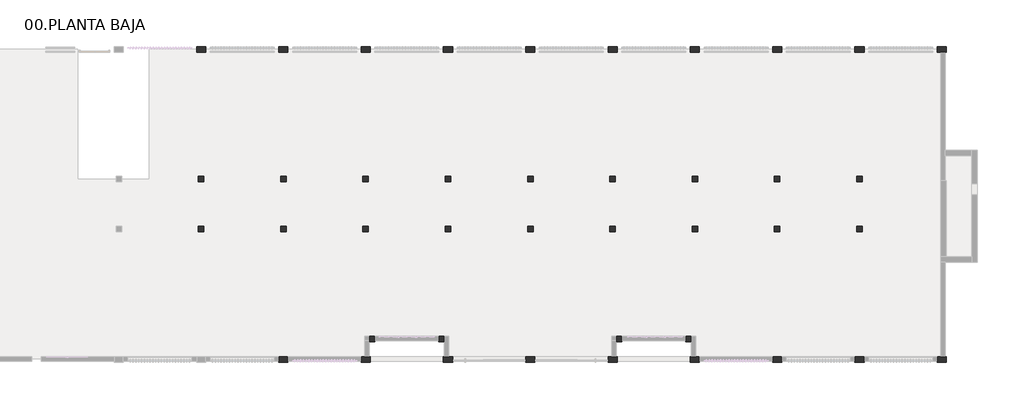
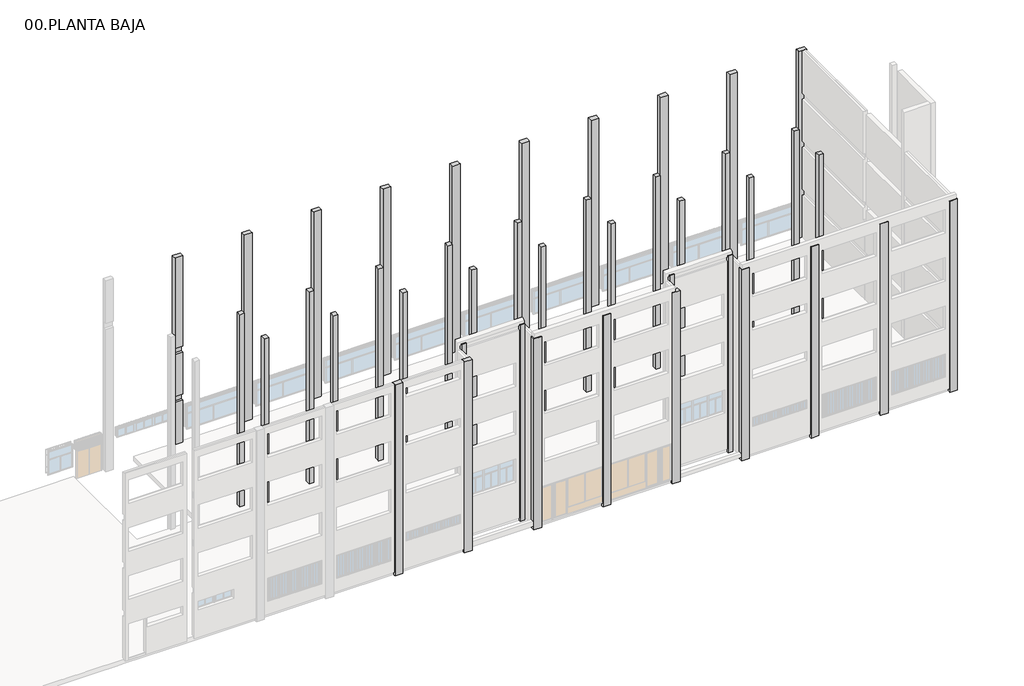
# One storey, part 4 of 4: 41 columns.
"""IFC4 building model written with IfcOpenShell, lengths in millimetres."""

from ifc_helpers import new_model, si_unit, frame, origin, place, context, project, spatial, polyline, outline, extrude, faceted_brep, element, save

model = new_model("IFC4")

# Units and contexts
model_context = context("Model", 3, world=origin())
ifc_project = project(units=[si_unit("LENGTHUNIT", "METRE", prefix="MILLI")], contexts=[model_context])

# Site, building, storey
site = spatial("IfcSite", under=ifc_project)
building = spatial("IfcBuilding", under=site)
storey = spatial("IfcBuildingStorey", under=building, Name="00.PLANTA BAJA", Elevation=0.0)

# Columns
placement = place(None, origin())
element("IfcColumn", 1, ObjectType="300 x 300 mm", at=placement, inside=storey, context=model_context, shape_type="Brep", body=[
    faceted_brep([(45029.3852488, 1391.1764706, 13200.0), (45029.3852488, 1141.1764706, 13200.0), (45029.3852488, 1091.1764706, 13200.0), (45329.3852488, 1091.1764706, 13200.0), (45329.3852488, 1141.1764706, 13200.0), (45329.3852488, 1391.1764706, 13200.0), (45029.3852488, 1391.1764706, -300.0), (45329.3852488, 1391.1764706, -300.0), (45329.3852488, 1241.1764706, -300.0), (45329.3852488, 1166.1764706, -300.0), (45329.3852488, 1091.1764706, -300.0), (45029.3852488, 1091.1764706, -300.0), (45029.3852488, 1166.1764706, -300.0), (45029.3852488, 1241.1764706, -300.0), (45029.3852488, 1391.1764706, 0.0)], [[[0, 1, 2, 3, 4, 5]], [[6, 7, 8, 9, 10, 11, 12, 13]], [[2, 1, 0, 14, 6, 13, 12, 11]], [[3, 2, 11, 10]], [[5, 4, 3, 10, 9, 8, 7]], [[0, 5, 7, 6, 14]]]),
])
element("IfcColumn", 2, ObjectType="300 x 300 mm", at=placement, inside=storey, context=model_context, shape_type="Brep", body=[
    faceted_brep([(41229.3852488, 1391.1764706, 13200.0), (41229.3852488, 1141.1764706, 13200.0), (41229.3852488, 1091.1764706, 13200.0), (41529.3852488, 1091.1764706, 13200.0), (41529.3852488, 1141.1764706, 13200.0), (41529.3852488, 1391.1764706, 13200.0), (41229.3852488, 1391.1764706, -300.0), (41529.3852488, 1391.1764706, -300.0), (41529.3852488, 1241.1764706, -300.0), (41529.3852488, 1166.1764706, -300.0), (41529.3852488, 1091.1764706, -300.0), (41229.3852488, 1091.1764706, -300.0), (41229.3852488, 1166.1764706, -300.0), (41229.3852488, 1241.1764706, -300.0), (41229.3852488, 1391.1764706, 0.0), (41529.3852488, 1391.1764706, 0.0)], [[[0, 1, 2, 3, 4, 5]], [[6, 7, 8, 9, 10, 11, 12, 13]], [[2, 1, 0, 14, 6, 13, 12, 11]], [[3, 2, 11, 10]], [[5, 4, 3, 10, 9, 8, 7, 15]], [[0, 5, 15, 7, 6, 14]]]),
])
element("IfcColumn", 3, ObjectType="300 x 300 mm", at=placement, inside=storey, context=model_context, shape_type="Brep", body=[
    faceted_brep([(58529.3852488, 1391.1764706, 13200.0), (58529.3852488, 1141.1764706, 13200.0), (58529.3852488, 1091.1764706, 13200.0), (58829.3852488, 1091.1764706, 13200.0), (58829.3852488, 1141.1764706, 13200.0), (58829.3852488, 1391.1764706, 13200.0), (58529.3852488, 1391.1764706, -300.0), (58829.3852488, 1391.1764706, -300.0), (58829.3852488, 1166.1764706, -300.0), (58829.3852488, 1091.1764706, -300.0), (58529.3852488, 1091.1764706, -300.0), (58529.3852488, 1166.1764706, -300.0), (58529.3852488, 1391.1764706, -85.0), (58829.3852488, 1391.1764706, -85.0)], [[[0, 1, 2, 3, 4, 5]], [[6, 7, 8, 9, 10, 11]], [[2, 1, 0, 12, 6, 11, 10]], [[3, 2, 10, 9]], [[5, 4, 3, 9, 8, 7, 13]], [[0, 5, 13, 7, 6, 12]]]),
])
element("IfcColumn", 4, ObjectType="300 x 300 mm", at=placement, inside=storey, context=model_context, shape_type="Brep", body=[
    faceted_brep([(54729.3852488, 1391.1764706, 13200.0), (54729.3852488, 1141.1764706, 13200.0), (54729.3852488, 1091.1764706, 13200.0), (55029.3852488, 1091.1764706, 13200.0), (55029.3852488, 1141.1764706, 13200.0), (55029.3852488, 1391.1764706, 13200.0), (54729.3852488, 1391.1764706, -300.0), (55029.3852488, 1391.1764706, -300.0), (55029.3852488, 1166.1764706, -300.0), (55029.3852488, 1091.1764706, -300.0), (54729.3852488, 1091.1764706, -300.0), (54729.3852488, 1166.1764706, -300.0), (54729.3852488, 1391.1764706, -85.0), (55029.3852488, 1391.1764706, -85.0)], [[[0, 1, 2, 3, 4, 5]], [[6, 7, 8, 9, 10, 11]], [[2, 1, 0, 12, 6, 11, 10]], [[3, 2, 10, 9]], [[5, 4, 3, 9, 8, 7, 13]], [[0, 5, 13, 7, 6, 12]]]),
])
element("IfcColumn", 5, ObjectType="300 x 300 mm", at=placement, inside=storey, context=model_context, shape_type="SweptSolid", body=[
    extrude(outline(polyline([(45379.3852488, 7415.5880966), (45679.3852488, 7415.5880966), (45679.3852488, 7115.5880966), (45379.3852488, 7115.5880966), (45379.3852488, 7415.5880966)])), frame((0.0, 0.0, -300.0), z_axis=(0.0, 0.0, 1.0), x_axis=(1.0, 0.0, 0.0)), (0.0, 0.0, 1.0), 13500.0),
])
element("IfcColumn", 6, ObjectType="300 x 300 mm", at=placement, inside=storey, context=model_context, shape_type="SweptSolid", body=[
    extrude(outline(polyline([(40879.3852488, 7415.5880966), (41179.3852488, 7415.5880966), (41179.3852488, 7115.5880966), (40879.3852488, 7115.5880966), (40879.3852488, 7415.5880966)])), frame((0.0, 0.0, -300.0), z_axis=(0.0, 0.0, 1.0), x_axis=(1.0, 0.0, 0.0)), (0.0, 0.0, 1.0), 13500.0),
])
element("IfcColumn", 7, ObjectType="300 x 300 mm", at=placement, inside=storey, context=model_context, shape_type="SweptSolid", body=[
    extrude(outline(polyline([(36379.3852488, 7415.5880966), (36679.3852488, 7415.5880966), (36679.3852488, 7115.5880966), (36379.3852488, 7115.5880966), (36379.3852488, 7415.5880966)])), frame((0.0, 0.0, -300.0), z_axis=(0.0, 0.0, 1.0), x_axis=(1.0, 0.0, 0.0)), (0.0, 0.0, 1.0), 13500.0),
])
element("IfcColumn", 8, ObjectType="300 x 300 mm", at=placement, inside=storey, context=model_context, shape_type="SweptSolid", body=[
    extrude(outline(polyline([(31879.3852488, 7415.5880966), (32179.3852488, 7415.5880966), (32179.3852488, 7115.5880966), (31879.3852488, 7115.5880966), (31879.3852488, 7415.5880966)])), frame((0.0, 0.0, -300.0), z_axis=(0.0, 0.0, 1.0), x_axis=(1.0, 0.0, 0.0)), (0.0, 0.0, 1.0), 13500.0),
])
element("IfcColumn", 9, ObjectType="300 x 300 mm", at=placement, inside=storey, context=model_context, shape_type="SweptSolid", body=[
    extrude(outline(polyline([(49879.3852488, 7415.5880966), (50179.3852488, 7415.5880966), (50179.3852488, 7115.5880966), (49879.3852488, 7115.5880966), (49879.3852488, 7415.5880966)])), frame((0.0, 0.0, -300.0), z_axis=(0.0, 0.0, 1.0), x_axis=(1.0, 0.0, 0.0)), (0.0, 0.0, 1.0), 13500.0),
])
element("IfcColumn", 10, ObjectType="300 x 300 mm", at=placement, inside=storey, context=model_context, shape_type="SweptSolid", body=[
    extrude(outline(polyline([(54379.3852488, 7415.5880966), (54679.3852488, 7415.5880966), (54679.3852488, 7115.5880966), (54379.3852488, 7115.5880966), (54379.3852488, 7415.5880966)])), frame((0.0, 0.0, -300.0), z_axis=(0.0, 0.0, 1.0), x_axis=(1.0, 0.0, 0.0)), (0.0, 0.0, 1.0), 13500.0),
])
element("IfcColumn", 11, ObjectType="300 x 300 mm", at=placement, inside=storey, context=model_context, shape_type="SweptSolid", body=[
    extrude(outline(polyline([(58879.3852488, 7415.5880966), (59179.3852488, 7415.5880966), (59179.3852488, 7115.5880966), (58879.3852488, 7115.5880966), (58879.3852488, 7415.5880966)])), frame((0.0, 0.0, -300.0), z_axis=(0.0, 0.0, 1.0), x_axis=(1.0, 0.0, 0.0)), (0.0, 0.0, 1.0), 13500.0),
])
element("IfcColumn", 12, ObjectType="300 x 300 mm", at=placement, inside=storey, context=model_context, shape_type="SweptSolid", body=[
    extrude(outline(polyline([(63379.3852488, 7415.5880966), (63679.3852488, 7415.5880966), (63679.3852488, 7115.5880966), (63379.3852488, 7115.5880966), (63379.3852488, 7415.5880966)])), frame((0.0, 0.0, -300.0), z_axis=(0.0, 0.0, 1.0), x_axis=(1.0, 0.0, 0.0)), (0.0, 0.0, 1.0), 13500.0),
])
element("IfcColumn", 13, ObjectType="300 x 300 mm", at=placement, inside=storey, context=model_context, shape_type="SweptSolid", body=[
    extrude(outline(polyline([(67879.3852488, 7415.5880966), (68179.3852488, 7415.5880966), (68179.3852488, 7115.5880966), (67879.3852488, 7115.5880966), (67879.3852488, 7415.5880966)])), frame((0.0, 0.0, -300.0), z_axis=(0.0, 0.0, 1.0), x_axis=(1.0, 0.0, 0.0)), (0.0, 0.0, 1.0), 13500.0),
])
element("IfcColumn", 14, ObjectType="300 x 300 mm", at=placement, inside=storey, context=model_context, shape_type="SweptSolid", body=[
    extrude(outline(polyline([(45379.3852488, 10135.7276275), (45679.3852488, 10135.7276275), (45679.3852488, 9835.7276275), (45379.3852488, 9835.7276275), (45379.3852488, 10135.7276275)])), frame((0.0, 0.0, -300.0), z_axis=(0.0, 0.0, 1.0), x_axis=(1.0, 0.0, 0.0)), (0.0, 0.0, 1.0), 13500.0),
])
element("IfcColumn", 15, ObjectType="300 x 300 mm", at=placement, inside=storey, context=model_context, shape_type="SweptSolid", body=[
    extrude(outline(polyline([(40879.3852488, 10135.7276275), (41179.3852488, 10135.7276275), (41179.3852488, 9835.7276275), (40879.3852488, 9835.7276275), (40879.3852488, 10135.7276275)])), frame((0.0, 0.0, -300.0), z_axis=(0.0, 0.0, 1.0), x_axis=(1.0, 0.0, 0.0)), (0.0, 0.0, 1.0), 13500.0),
])
element("IfcColumn", 16, ObjectType="300 x 300 mm", at=placement, inside=storey, context=model_context, shape_type="SweptSolid", body=[
    extrude(outline(polyline([(36379.3852488, 10135.7276275), (36679.3852488, 10135.7276275), (36679.3852488, 9835.7276275), (36379.3852488, 9835.7276275), (36379.3852488, 10135.7276275)])), frame((0.0, 0.0, -300.0), z_axis=(0.0, 0.0, 1.0), x_axis=(1.0, 0.0, 0.0)), (0.0, 0.0, 1.0), 13500.0),
])
element("IfcColumn", 17, ObjectType="300 x 300 mm", at=placement, inside=storey, context=model_context, shape_type="SweptSolid", body=[
    extrude(outline(polyline([(31879.3852488, 10135.7276275), (32179.3852488, 10135.7276275), (32179.3852488, 9835.7276275), (31879.3852488, 9835.7276275), (31879.3852488, 10135.7276275)])), frame((0.0, 0.0, -300.0), z_axis=(0.0, 0.0, 1.0), x_axis=(1.0, 0.0, 0.0)), (0.0, 0.0, 1.0), 13500.0),
])
element("IfcColumn", 18, ObjectType="300 x 300 mm", at=placement, inside=storey, context=model_context, shape_type="SweptSolid", body=[
    extrude(outline(polyline([(49879.3852488, 10135.7276275), (50179.3852488, 10135.7276275), (50179.3852488, 9835.7276275), (49879.3852488, 9835.7276275), (49879.3852488, 10135.7276275)])), frame((0.0, 0.0, -300.0), z_axis=(0.0, 0.0, 1.0), x_axis=(1.0, 0.0, 0.0)), (0.0, 0.0, 1.0), 13500.0),
])
element("IfcColumn", 19, ObjectType="300 x 300 mm", at=placement, inside=storey, context=model_context, shape_type="SweptSolid", body=[
    extrude(outline(polyline([(54379.3852488, 10135.7276275), (54679.3852488, 10135.7276275), (54679.3852488, 9835.7276275), (54379.3852488, 9835.7276275), (54379.3852488, 10135.7276275)])), frame((0.0, 0.0, -300.0), z_axis=(0.0, 0.0, 1.0), x_axis=(1.0, 0.0, 0.0)), (0.0, 0.0, 1.0), 13500.0),
])
element("IfcColumn", 20, ObjectType="300 x 300 mm", at=placement, inside=storey, context=model_context, shape_type="SweptSolid", body=[
    extrude(outline(polyline([(58879.3852488, 10135.7276275), (59179.3852488, 10135.7276275), (59179.3852488, 9835.7276275), (58879.3852488, 9835.7276275), (58879.3852488, 10135.7276275)])), frame((0.0, 0.0, -300.0), z_axis=(0.0, 0.0, 1.0), x_axis=(1.0, 0.0, 0.0)), (0.0, 0.0, 1.0), 13500.0),
])
element("IfcColumn", 21, ObjectType="300 x 300 mm", at=placement, inside=storey, context=model_context, shape_type="SweptSolid", body=[
    extrude(outline(polyline([(63379.3852488, 10135.7276275), (63679.3852488, 10135.7276275), (63679.3852488, 9835.7276275), (63379.3852488, 9835.7276275), (63379.3852488, 10135.7276275)])), frame((0.0, 0.0, -300.0), z_axis=(0.0, 0.0, 1.0), x_axis=(1.0, 0.0, 0.0)), (0.0, 0.0, 1.0), 13500.0),
])
element("IfcColumn", 22, ObjectType="300 x 300 mm", at=placement, inside=storey, context=model_context, shape_type="SweptSolid", body=[
    extrude(outline(polyline([(67879.3852488, 10135.7276275), (68179.3852488, 10135.7276275), (68179.3852488, 9835.7276275), (67879.3852488, 9835.7276275), (67879.3852488, 10135.7276275)])), frame((0.0, 0.0, -300.0), z_axis=(0.0, 0.0, 1.0), x_axis=(1.0, 0.0, 0.0)), (0.0, 0.0, 1.0), 13500.0),
])
element("IfcColumn", 23, ObjectType="50 x 30 cm", at=placement, inside=storey, context=model_context, shape_type="Brep", body=[
    faceted_brep([(36279.3852488, 291.1764706, 12815.0), (36279.3852488, 141.1764706, 12815.0), (36279.3852488, 41.1764706, 12815.0), (36279.3852488, -8.8235294, 12815.0), (36779.3852488, -8.8235294, 12815.0), (36779.3852488, 41.1764706, 12815.0), (36779.3852488, 141.1764706, 12815.0), (36779.3852488, 291.1764706, 12815.0), (36279.3852488, 291.1764706, -300.0), (36779.3852488, 291.1764706, -300.0), (36779.3852488, 166.1764706, -300.0), (36779.3852488, 66.1764706, -300.0), (36779.3852488, -8.8235294, -300.0), (36279.3852488, -8.8235294, -300.0), (36279.3852488, 66.1764706, -300.0), (36279.3852488, 166.1764706, -300.0), (36279.3852488, 291.1764706, 12800.0), (36279.3852488, 291.1764706, 9900.0), (36279.3852488, 291.1764706, 9500.0), (36279.3852488, 291.1764706, 6600.0), (36279.3852488, 291.1764706, 6200.0), (36279.3852488, 291.1764706, 3300.0), (36279.3852488, 291.1764706, 2900.0), (36279.3852488, 291.1764706, -85.0), (36779.3852488, 291.1764706, -85.0), (36779.3852488, 291.1764706, 2900.0), (36779.3852488, 291.1764706, 3300.0), (36779.3852488, 291.1764706, 6200.0), (36779.3852488, 291.1764706, 6600.0), (36779.3852488, 291.1764706, 9500.0), (36779.3852488, 291.1764706, 9900.0), (36779.3852488, 291.1764706, 12800.0)], [[[0, 1, 2, 3, 4, 5, 6, 7]], [[8, 9, 10, 11, 12, 13, 14, 15]], [[3, 2, 1, 0, 16, 17, 18, 19, 20, 21, 22, 23, 8, 15, 14, 13]], [[4, 3, 13, 12]], [[7, 6, 5, 4, 12, 11, 10, 9, 24, 25, 26, 27, 28, 29, 30, 31]], [[0, 7, 31, 30, 29, 28, 27, 26, 25, 24, 9, 8, 23, 22, 21, 20, 19, 18, 17, 16]]]),
])
element("IfcColumn", 24, ObjectType="50 x 30 cm", at=placement, inside=storey, context=model_context, shape_type="Brep", body=[
    faceted_brep([(40779.3852488, 291.1764706, 12815.0), (40779.3852488, 141.1764706, 12815.0), (40779.3852488, 41.1764706, 12815.0), (40779.3852488, -8.8235294, 12815.0), (41279.3852488, -8.8235294, 12815.0), (41279.3852488, 291.1764706, 12815.0), (41229.3852488, 291.1764706, 12815.0), (41104.3852488, 291.1764706, 12815.0), (40979.3852488, 291.1764706, 12815.0), (40779.3852488, 291.1764706, -300.0), (41279.3852488, 291.1764706, -300.0), (41279.3852488, 66.1764706, -300.0), (41279.3852488, -8.8235294, -300.0), (40779.3852488, -8.8235294, -300.0), (40779.3852488, 66.1764706, -300.0), (40779.3852488, 166.1764706, -300.0), (40779.3852488, 291.1764706, 12800.0), (40779.3852488, 291.1764706, 9900.0), (40779.3852488, 291.1764706, 9500.0), (40779.3852488, 291.1764706, 6600.0), (40779.3852488, 291.1764706, 6200.0), (40779.3852488, 291.1764706, 3300.0), (40779.3852488, 291.1764706, 2900.0), (40779.3852488, 291.1764706, -85.0), (41279.3852488, 291.1764706, -85.0)], [[[0, 1, 2, 3, 4, 5, 6, 7, 8]], [[9, 10, 11, 12, 13, 14, 15]], [[3, 2, 1, 0, 16, 17, 18, 19, 20, 21, 22, 23, 9, 15, 14, 13]], [[4, 3, 13, 12]], [[5, 4, 12, 11, 10, 24]], [[0, 8, 7, 6, 5, 24, 10, 9, 23, 22, 21, 20, 19, 18, 17, 16]]]),
])
element("IfcColumn", 25, ObjectType="50 x 30 cm", at=placement, inside=storey, context=model_context, shape_type="Brep", body=[
    faceted_brep([(63279.3852488, 291.1764706, 12815.0), (63279.3852488, 41.1764706, 12815.0), (63279.3852488, -8.8235294, 12815.0), (63779.3852488, -8.8235294, 12815.0), (63779.3852488, 41.1764706, 12815.0), (63779.3852488, 291.1764706, 12815.0), (63279.3852488, 291.1764706, -300.0), (63779.3852488, 291.1764706, -300.0), (63779.3852488, 66.1764706, -300.0), (63779.3852488, -8.8235294, -300.0), (63279.3852488, -8.8235294, -300.0), (63279.3852488, 66.1764706, -300.0), (63279.3852488, 291.1764706, -85.0), (63779.3852488, 291.1764706, -85.0)], [[[0, 1, 2, 3, 4, 5]], [[6, 7, 8, 9, 10, 11]], [[2, 1, 0, 12, 6, 11, 10]], [[3, 2, 10, 9]], [[5, 4, 3, 9, 8, 7, 13]], [[0, 5, 13, 7, 6, 12]]]),
])
element("IfcColumn", 26, ObjectType="50 x 30 cm", at=placement, inside=storey, context=model_context, shape_type="Brep", body=[
    faceted_brep([(67779.3852488, 291.1764706, 12815.0), (67779.3852488, 41.1764706, 12815.0), (67779.3852488, -8.8235294, 12815.0), (68279.3852488, -8.8235294, 12815.0), (68279.3852488, 41.1764706, 12815.0), (68279.3852488, 291.1764706, 12815.0), (67779.3852488, 291.1764706, -300.0), (68279.3852488, 291.1764706, -300.0), (68279.3852488, 66.1764706, -300.0), (68279.3852488, -8.8235294, -300.0), (67779.3852488, -8.8235294, -300.0), (67779.3852488, 66.1764706, -300.0), (67779.3852488, 291.1764706, -85.0), (68279.3852488, 291.1764706, -85.0)], [[[0, 1, 2, 3, 4, 5]], [[6, 7, 8, 9, 10, 11]], [[2, 1, 0, 12, 6, 11, 10]], [[3, 2, 10, 9]], [[5, 4, 3, 9, 8, 7, 13]], [[0, 5, 13, 7, 6, 12]]]),
])
element("IfcColumn", 27, ObjectType="50 x 30 cm", at=placement, inside=storey, context=model_context, shape_type="Brep", body=[
    faceted_brep([(49779.3852488, 291.1764706, 12815.0), (49779.3852488, 41.1764706, 12815.0), (49779.3852488, -8.8235294, 12815.0), (50279.3852488, -8.8235294, 12815.0), (50279.3852488, 41.1764706, 12815.0), (50279.3852488, 291.1764706, 12815.0), (49779.3852488, 291.1764706, -300.0), (50279.3852488, 291.1764706, -300.0), (50279.3852488, 66.1764706, -300.0), (50279.3852488, -8.8235294, -300.0), (49779.3852488, -8.8235294, -300.0), (49779.3852488, 66.1764706, -300.0), (49779.3852488, 291.1764706, 2450.0), (49779.3852488, 291.1764706, 0.0), (49779.3852488, 291.1764706, -85.0), (50279.3852488, 291.1764706, -85.0), (50279.3852488, 291.1764706, 0.0), (50279.3852488, 291.1764706, 2450.0)], [[[0, 1, 2, 3, 4, 5]], [[6, 7, 8, 9, 10, 11]], [[2, 1, 0, 12, 13, 14, 6, 11, 10]], [[3, 2, 10, 9]], [[5, 4, 3, 9, 8, 7, 15, 16, 17]], [[0, 5, 17, 16, 15, 7, 6, 14, 13, 12]]]),
])
element("IfcColumn", 28, ObjectType="50 x 30 cm", at=placement, inside=storey, context=model_context, shape_type="Brep", body=[
    faceted_brep([(54279.3852488, 291.1764706, 12815.0), (54279.3852488, 41.1764706, 12815.0), (54279.3852488, -8.8235294, 12815.0), (54779.3852488, -8.8235294, 12815.0), (54779.3852488, 291.1764706, 12815.0), (54729.3852488, 291.1764706, 12815.0), (54604.3852488, 291.1764706, 12815.0), (54479.3852488, 291.1764706, 12815.0), (54279.3852488, 291.1764706, -300.0), (54779.3852488, 291.1764706, -300.0), (54779.3852488, 66.1764706, -300.0), (54779.3852488, -8.8235294, -300.0), (54279.3852488, -8.8235294, -300.0), (54279.3852488, 66.1764706, -300.0), (54279.3852488, 291.1764706, 2450.0), (54279.3852488, 291.1764706, 0.0), (54279.3852488, 291.1764706, -85.0), (54779.3852488, 291.1764706, -85.0)], [[[0, 1, 2, 3, 4, 5, 6, 7]], [[8, 9, 10, 11, 12, 13]], [[2, 1, 0, 14, 15, 16, 8, 13, 12]], [[3, 2, 12, 11]], [[4, 3, 11, 10, 9, 17]], [[0, 7, 6, 5, 4, 17, 9, 8, 16, 15, 14]]]),
])
element("IfcColumn", 29, ObjectType="50 x 30 cm", at=placement, inside=storey, context=model_context, shape_type="Brep", body=[
    faceted_brep([(31779.3852488, 17241.1764706, 12815.0), (31779.3852488, 17191.1764706, 12815.0), (31779.3852488, 17091.1764706, 12815.0), (31779.3852488, 16941.1764706, 12815.0), (32279.3852488, 16941.1764706, 12815.0), (32279.3852488, 17091.1764706, 12815.0), (32279.3852488, 17191.1764706, 12815.0), (32279.3852488, 17241.1764706, 12815.0), (31779.3852488, 17241.1764706, -300.0), (32279.3852488, 17241.1764706, -300.0), (32279.3852488, 17166.1764706, -300.0), (32279.3852488, 17091.1764706, -300.0), (32279.3852488, 16941.1764706, -300.0), (31779.3852488, 16941.1764706, -300.0), (31779.3852488, 17091.1764706, -300.0), (31779.3852488, 17166.1764706, -300.0), (31779.3852488, 16941.1764706, 0.0), (31779.3852488, 16941.1764706, 2900.0), (31779.3852488, 17091.1764706, 2900.0), (31779.3852488, 17091.1764706, 3300.0), (31779.3852488, 16941.1764706, 3300.0), (31779.3852488, 16941.1764706, 6200.0), (31779.3852488, 17091.1764706, 6200.0), (31779.3852488, 17091.1764706, 6600.0), (31779.3852488, 16941.1764706, 6600.0), (31779.3852488, 16941.1764706, 9500.0), (31779.3852488, 16941.1764706, 9900.0), (31779.3852488, 16941.1764706, 12800.0), (32279.3852488, 16941.1764706, 6600.0), (32279.3852488, 16941.1764706, 9500.0), (32279.3852488, 16941.1764706, 9900.0), (32279.3852488, 16941.1764706, 12800.0), (32279.3852488, 17091.1764706, 6600.0), (32279.3852488, 17091.1764706, 6200.0), (32279.3852488, 16941.1764706, 6200.0), (32279.3852488, 16941.1764706, 3300.0), (32279.3852488, 17091.1764706, 3300.0), (32279.3852488, 17091.1764706, 2900.0), (32279.3852488, 16941.1764706, 2900.0), (32279.3852488, 16941.1764706, 0.0)], [[[0, 1, 2, 3, 4, 5, 6, 7]], [[8, 9, 10, 11, 12, 13, 14, 15]], [[3, 2, 1, 0, 8, 15, 14, 13, 16, 17, 18, 19, 20, 21, 22, 23, 24, 25, 26, 27]], [[4, 3, 27, 26, 25, 24, 28, 29, 30, 31]], [[7, 6, 5, 4, 31, 30, 29, 28, 32, 33, 34, 35, 36, 37, 38, 39, 12, 11, 10, 9]], [[0, 7, 9, 8]], [[37, 18, 17, 38]], [[19, 36, 35, 20]], [[18, 37, 36, 19]], [[13, 12, 39, 38, 17, 16]], [[33, 22, 21, 34]], [[23, 32, 28, 24]], [[22, 33, 32, 23]], [[20, 35, 34, 21]]]),
])
element("IfcColumn", 30, ObjectType="50 x 30 cm", at=placement, inside=storey, context=model_context, shape_type="Brep", body=[
    faceted_brep([(36279.3852488, 17241.1764706, 12815.0), (36279.3852488, 17191.1764706, 12815.0), (36279.3852488, 17091.1764706, 12815.0), (36279.3852488, 16941.1764706, 12815.0), (36779.3852488, 16941.1764706, 12815.0), (36779.3852488, 17091.1764706, 12815.0), (36779.3852488, 17191.1764706, 12815.0), (36779.3852488, 17241.1764706, 12815.0), (36279.3852488, 17241.1764706, -300.0), (36779.3852488, 17241.1764706, -300.0), (36779.3852488, 17166.1764706, -300.0), (36779.3852488, 17091.1764706, -300.0), (36779.3852488, 16941.1764706, -300.0), (36279.3852488, 16941.1764706, -300.0), (36279.3852488, 17091.1764706, -300.0), (36279.3852488, 17166.1764706, -300.0), (36279.3852488, 16941.1764706, 0.0), (36279.3852488, 16941.1764706, 2900.0), (36279.3852488, 16941.1764706, 3300.0), (36279.3852488, 16941.1764706, 6200.0), (36279.3852488, 16941.1764706, 6600.0), (36279.3852488, 16941.1764706, 9500.0), (36279.3852488, 16941.1764706, 9900.0), (36279.3852488, 16941.1764706, 12800.0), (36779.3852488, 16941.1764706, 0.0), (36779.3852488, 16941.1764706, 2900.0), (36779.3852488, 16941.1764706, 3300.0), (36779.3852488, 16941.1764706, 6200.0), (36779.3852488, 16941.1764706, 6600.0), (36779.3852488, 16941.1764706, 9500.0), (36779.3852488, 16941.1764706, 9900.0), (36779.3852488, 16941.1764706, 12800.0)], [[[0, 1, 2, 3, 4, 5, 6, 7]], [[8, 9, 10, 11, 12, 13, 14, 15]], [[3, 2, 1, 0, 8, 15, 14, 13, 16, 17, 18, 19, 20, 21, 22, 23]], [[4, 3, 23, 22, 21, 20, 19, 18, 17, 16, 13, 12, 24, 25, 26, 27, 28, 29, 30, 31]], [[7, 6, 5, 4, 31, 30, 29, 28, 27, 26, 25, 24, 12, 11, 10, 9]], [[0, 7, 9, 8]]]),
])
element("IfcColumn", 31, ObjectType="50 x 30 cm", at=placement, inside=storey, context=model_context, shape_type="Brep", body=[
    faceted_brep([(40779.3852488, 17241.1764706, 12815.0), (40779.3852488, 17191.1764706, 12815.0), (40779.3852488, 17091.1764706, 12815.0), (40779.3852488, 16941.1764706, 12815.0), (41279.3852488, 16941.1764706, 12815.0), (41279.3852488, 17091.1764706, 12815.0), (41279.3852488, 17191.1764706, 12815.0), (41279.3852488, 17241.1764706, 12815.0), (40779.3852488, 17241.1764706, -300.0), (41279.3852488, 17241.1764706, -300.0), (41279.3852488, 17166.1764706, -300.0), (41279.3852488, 17091.1764706, -300.0), (41279.3852488, 16941.1764706, -300.0), (40779.3852488, 16941.1764706, -300.0), (40779.3852488, 17091.1764706, -300.0), (40779.3852488, 17166.1764706, -300.0), (40779.3852488, 16941.1764706, 0.0), (40779.3852488, 16941.1764706, 2900.0), (40779.3852488, 16941.1764706, 3300.0), (40779.3852488, 16941.1764706, 6200.0), (40779.3852488, 16941.1764706, 6600.0), (40779.3852488, 16941.1764706, 9500.0), (40779.3852488, 16941.1764706, 9900.0), (40779.3852488, 16941.1764706, 12800.0), (41279.3852488, 16941.1764706, 0.0), (41279.3852488, 16941.1764706, 2900.0), (41279.3852488, 16941.1764706, 3300.0), (41279.3852488, 16941.1764706, 6200.0), (41279.3852488, 16941.1764706, 6600.0), (41279.3852488, 16941.1764706, 9500.0), (41279.3852488, 16941.1764706, 9900.0), (41279.3852488, 16941.1764706, 12800.0)], [[[0, 1, 2, 3, 4, 5, 6, 7]], [[8, 9, 10, 11, 12, 13, 14, 15]], [[3, 2, 1, 0, 8, 15, 14, 13, 16, 17, 18, 19, 20, 21, 22, 23]], [[4, 3, 23, 22, 21, 20, 19, 18, 17, 16, 13, 12, 24, 25, 26, 27, 28, 29, 30, 31]], [[7, 6, 5, 4, 31, 30, 29, 28, 27, 26, 25, 24, 12, 11, 10, 9]], [[0, 7, 9, 8]]]),
])
element("IfcColumn", 32, ObjectType="50 x 30 cm", at=placement, inside=storey, context=model_context, shape_type="Brep", body=[
    faceted_brep([(45279.3852488, 17241.1764706, 12815.0), (45279.3852488, 17191.1764706, 12815.0), (45279.3852488, 17091.1764706, 12815.0), (45279.3852488, 16941.1764706, 12815.0), (45779.3852488, 16941.1764706, 12815.0), (45779.3852488, 17091.1764706, 12815.0), (45779.3852488, 17191.1764706, 12815.0), (45779.3852488, 17241.1764706, 12815.0), (45279.3852488, 17241.1764706, -300.0), (45779.3852488, 17241.1764706, -300.0), (45779.3852488, 17166.1764706, -300.0), (45779.3852488, 17091.1764706, -300.0), (45779.3852488, 16941.1764706, -300.0), (45279.3852488, 16941.1764706, -300.0), (45279.3852488, 17091.1764706, -300.0), (45279.3852488, 17166.1764706, -300.0), (45279.3852488, 16941.1764706, 0.0), (45279.3852488, 16941.1764706, 2900.0), (45279.3852488, 16941.1764706, 3300.0), (45279.3852488, 16941.1764706, 6200.0), (45279.3852488, 16941.1764706, 6600.0), (45279.3852488, 16941.1764706, 9500.0), (45279.3852488, 16941.1764706, 9900.0), (45279.3852488, 16941.1764706, 12800.0), (45779.3852488, 16941.1764706, 0.0), (45779.3852488, 16941.1764706, 2900.0), (45779.3852488, 16941.1764706, 3300.0), (45779.3852488, 16941.1764706, 6200.0), (45779.3852488, 16941.1764706, 6600.0), (45779.3852488, 16941.1764706, 9500.0), (45779.3852488, 16941.1764706, 9900.0), (45779.3852488, 16941.1764706, 12800.0)], [[[0, 1, 2, 3, 4, 5, 6, 7]], [[8, 9, 10, 11, 12, 13, 14, 15]], [[3, 2, 1, 0, 8, 15, 14, 13, 16, 17, 18, 19, 20, 21, 22, 23]], [[4, 3, 23, 22, 21, 20, 19, 18, 17, 16, 13, 12, 24, 25, 26, 27, 28, 29, 30, 31]], [[7, 6, 5, 4, 31, 30, 29, 28, 27, 26, 25, 24, 12, 11, 10, 9]], [[0, 7, 9, 8]]]),
])
element("IfcColumn", 33, ObjectType="50 x 30 cm", at=placement, inside=storey, context=model_context, shape_type="Brep", body=[
    faceted_brep([(49779.3852488, 17241.1764706, 12815.0), (49779.3852488, 17191.1764706, 12815.0), (49779.3852488, 17091.1764706, 12815.0), (49779.3852488, 16941.1764706, 12815.0), (50279.3852488, 16941.1764706, 12815.0), (50279.3852488, 17091.1764706, 12815.0), (50279.3852488, 17191.1764706, 12815.0), (50279.3852488, 17241.1764706, 12815.0), (49779.3852488, 17241.1764706, -300.0), (50279.3852488, 17241.1764706, -300.0), (50279.3852488, 17166.1764706, -300.0), (50279.3852488, 17091.1764706, -300.0), (50279.3852488, 16941.1764706, -300.0), (49779.3852488, 16941.1764706, -300.0), (49779.3852488, 17091.1764706, -300.0), (49779.3852488, 17166.1764706, -300.0), (49779.3852488, 16941.1764706, 0.0), (49779.3852488, 16941.1764706, 2900.0), (49779.3852488, 16941.1764706, 3300.0), (49779.3852488, 16941.1764706, 6200.0), (49779.3852488, 16941.1764706, 6600.0), (49779.3852488, 16941.1764706, 9500.0), (49779.3852488, 16941.1764706, 9900.0), (49779.3852488, 16941.1764706, 12800.0), (50279.3852488, 16941.1764706, 0.0), (50279.3852488, 16941.1764706, 2900.0), (50279.3852488, 16941.1764706, 3300.0), (50279.3852488, 16941.1764706, 6200.0), (50279.3852488, 16941.1764706, 6600.0), (50279.3852488, 16941.1764706, 9500.0), (50279.3852488, 16941.1764706, 9900.0), (50279.3852488, 16941.1764706, 12800.0)], [[[0, 1, 2, 3, 4, 5, 6, 7]], [[8, 9, 10, 11, 12, 13, 14, 15]], [[3, 2, 1, 0, 8, 15, 14, 13, 16, 17, 18, 19, 20, 21, 22, 23]], [[4, 3, 23, 22, 21, 20, 19, 18, 17, 16, 13, 12, 24, 25, 26, 27, 28, 29, 30, 31]], [[7, 6, 5, 4, 31, 30, 29, 28, 27, 26, 25, 24, 12, 11, 10, 9]], [[0, 7, 9, 8]]]),
])
element("IfcColumn", 34, ObjectType="50 x 30 cm", at=placement, inside=storey, context=model_context, shape_type="Brep", body=[
    faceted_brep([(54279.3852488, 17241.1764706, 12815.0), (54279.3852488, 17191.1764706, 12815.0), (54279.3852488, 17091.1764706, 12815.0), (54279.3852488, 16941.1764706, 12815.0), (54779.3852488, 16941.1764706, 12815.0), (54779.3852488, 17091.1764706, 12815.0), (54779.3852488, 17191.1764706, 12815.0), (54779.3852488, 17241.1764706, 12815.0), (54279.3852488, 17241.1764706, -300.0), (54779.3852488, 17241.1764706, -300.0), (54779.3852488, 17166.1764706, -300.0), (54779.3852488, 17091.1764706, -300.0), (54779.3852488, 16941.1764706, -300.0), (54279.3852488, 16941.1764706, -300.0), (54279.3852488, 17091.1764706, -300.0), (54279.3852488, 17166.1764706, -300.0), (54279.3852488, 16941.1764706, 0.0), (54279.3852488, 16941.1764706, 2900.0), (54279.3852488, 16941.1764706, 3300.0), (54279.3852488, 16941.1764706, 6200.0), (54279.3852488, 16941.1764706, 6600.0), (54279.3852488, 16941.1764706, 9500.0), (54279.3852488, 16941.1764706, 9900.0), (54279.3852488, 16941.1764706, 12800.0), (54779.3852488, 16941.1764706, 0.0), (54779.3852488, 16941.1764706, 2900.0), (54779.3852488, 16941.1764706, 3300.0), (54779.3852488, 16941.1764706, 6200.0), (54779.3852488, 16941.1764706, 6600.0), (54779.3852488, 16941.1764706, 9500.0), (54779.3852488, 16941.1764706, 9900.0), (54779.3852488, 16941.1764706, 12800.0)], [[[0, 1, 2, 3, 4, 5, 6, 7]], [[8, 9, 10, 11, 12, 13, 14, 15]], [[3, 2, 1, 0, 8, 15, 14, 13, 16, 17, 18, 19, 20, 21, 22, 23]], [[4, 3, 23, 22, 21, 20, 19, 18, 17, 16, 13, 12, 24, 25, 26, 27, 28, 29, 30, 31]], [[7, 6, 5, 4, 31, 30, 29, 28, 27, 26, 25, 24, 12, 11, 10, 9]], [[0, 7, 9, 8]]]),
])
element("IfcColumn", 35, ObjectType="50 x 30 cm", at=placement, inside=storey, context=model_context, shape_type="Brep", body=[
    faceted_brep([(58779.3852488, 17241.1764706, 12815.0), (58779.3852488, 17191.1764706, 12815.0), (58779.3852488, 17091.1764706, 12815.0), (58779.3852488, 16941.1764706, 12815.0), (59279.3852488, 16941.1764706, 12815.0), (59279.3852488, 17091.1764706, 12815.0), (59279.3852488, 17191.1764706, 12815.0), (59279.3852488, 17241.1764706, 12815.0), (58779.3852488, 17241.1764706, -300.0), (59279.3852488, 17241.1764706, -300.0), (59279.3852488, 17166.1764706, -300.0), (59279.3852488, 17091.1764706, -300.0), (59279.3852488, 16941.1764706, -300.0), (58779.3852488, 16941.1764706, -300.0), (58779.3852488, 17091.1764706, -300.0), (58779.3852488, 17166.1764706, -300.0), (58779.3852488, 16941.1764706, 0.0), (58779.3852488, 16941.1764706, 2900.0), (58779.3852488, 16941.1764706, 3300.0), (58779.3852488, 16941.1764706, 6200.0), (58779.3852488, 16941.1764706, 6600.0), (58779.3852488, 16941.1764706, 9500.0), (58779.3852488, 16941.1764706, 9900.0), (58779.3852488, 16941.1764706, 12800.0), (59279.3852488, 16941.1764706, 0.0), (59279.3852488, 16941.1764706, 2900.0), (59279.3852488, 16941.1764706, 3300.0), (59279.3852488, 16941.1764706, 6200.0), (59279.3852488, 16941.1764706, 6600.0), (59279.3852488, 16941.1764706, 9500.0), (59279.3852488, 16941.1764706, 9900.0), (59279.3852488, 16941.1764706, 12800.0)], [[[0, 1, 2, 3, 4, 5, 6, 7]], [[8, 9, 10, 11, 12, 13, 14, 15]], [[3, 2, 1, 0, 8, 15, 14, 13, 16, 17, 18, 19, 20, 21, 22, 23]], [[4, 3, 23, 22, 21, 20, 19, 18, 17, 16, 13, 12, 24, 25, 26, 27, 28, 29, 30, 31]], [[7, 6, 5, 4, 31, 30, 29, 28, 27, 26, 25, 24, 12, 11, 10, 9]], [[0, 7, 9, 8]]]),
])
element("IfcColumn", 36, ObjectType="50 x 30 cm", at=placement, inside=storey, context=model_context, shape_type="Brep", body=[
    faceted_brep([(63279.3852488, 17241.1764706, 12815.0), (63279.3852488, 17191.1764706, 12815.0), (63279.3852488, 17091.1764706, 12815.0), (63279.3852488, 16941.1764706, 12815.0), (63779.3852488, 16941.1764706, 12815.0), (63779.3852488, 17091.1764706, 12815.0), (63779.3852488, 17191.1764706, 12815.0), (63779.3852488, 17241.1764706, 12815.0), (63279.3852488, 17241.1764706, -300.0), (63779.3852488, 17241.1764706, -300.0), (63779.3852488, 17166.1764706, -300.0), (63779.3852488, 17091.1764706, -300.0), (63779.3852488, 16941.1764706, -300.0), (63279.3852488, 16941.1764706, -300.0), (63279.3852488, 17091.1764706, -300.0), (63279.3852488, 17166.1764706, -300.0), (63279.3852488, 16941.1764706, 0.0), (63279.3852488, 16941.1764706, 2900.0), (63279.3852488, 16941.1764706, 3300.0), (63279.3852488, 16941.1764706, 6200.0), (63279.3852488, 16941.1764706, 6600.0), (63279.3852488, 16941.1764706, 9500.0), (63279.3852488, 16941.1764706, 9900.0), (63279.3852488, 16941.1764706, 12800.0), (63779.3852488, 16941.1764706, 0.0), (63779.3852488, 16941.1764706, 2900.0), (63779.3852488, 16941.1764706, 3300.0), (63779.3852488, 16941.1764706, 6200.0), (63779.3852488, 16941.1764706, 6600.0), (63779.3852488, 16941.1764706, 9500.0), (63779.3852488, 16941.1764706, 9900.0), (63779.3852488, 16941.1764706, 12800.0)], [[[0, 1, 2, 3, 4, 5, 6, 7]], [[8, 9, 10, 11, 12, 13, 14, 15]], [[3, 2, 1, 0, 8, 15, 14, 13, 16, 17, 18, 19, 20, 21, 22, 23]], [[4, 3, 23, 22, 21, 20, 19, 18, 17, 16, 13, 12, 24, 25, 26, 27, 28, 29, 30, 31]], [[7, 6, 5, 4, 31, 30, 29, 28, 27, 26, 25, 24, 12, 11, 10, 9]], [[0, 7, 9, 8]]]),
])
element("IfcColumn", 37, ObjectType="50 x 30 cm", at=placement, inside=storey, context=model_context, shape_type="Brep", body=[
    faceted_brep([(67779.3852488, 17241.1764706, 12815.0), (67779.3852488, 17191.1764706, 12815.0), (67779.3852488, 17091.1764706, 12815.0), (67779.3852488, 16941.1764706, 12815.0), (68279.3852488, 16941.1764706, 12815.0), (68279.3852488, 17091.1764706, 12815.0), (68279.3852488, 17191.1764706, 12815.0), (68279.3852488, 17241.1764706, 12815.0), (67779.3852488, 17241.1764706, -300.0), (68279.3852488, 17241.1764706, -300.0), (68279.3852488, 17166.1764706, -300.0), (68279.3852488, 17091.1764706, -300.0), (68279.3852488, 16941.1764706, -300.0), (67779.3852488, 16941.1764706, -300.0), (67779.3852488, 17091.1764706, -300.0), (67779.3852488, 17166.1764706, -300.0), (67779.3852488, 16941.1764706, 0.0), (67779.3852488, 16941.1764706, 2900.0), (67779.3852488, 16941.1764706, 3300.0), (67779.3852488, 16941.1764706, 6200.0), (67779.3852488, 16941.1764706, 6600.0), (67779.3852488, 16941.1764706, 9500.0), (67779.3852488, 16941.1764706, 9900.0), (67779.3852488, 16941.1764706, 12800.0), (68279.3852488, 16941.1764706, 0.0), (68279.3852488, 16941.1764706, 2900.0), (68279.3852488, 16941.1764706, 3300.0), (68279.3852488, 16941.1764706, 6200.0), (68279.3852488, 16941.1764706, 6600.0), (68279.3852488, 16941.1764706, 9500.0), (68279.3852488, 16941.1764706, 9900.0), (68279.3852488, 16941.1764706, 12800.0)], [[[0, 1, 2, 3, 4, 5, 6, 7]], [[8, 9, 10, 11, 12, 13, 14, 15]], [[3, 2, 1, 0, 8, 15, 14, 13, 16, 17, 18, 19, 20, 21, 22, 23]], [[4, 3, 23, 22, 21, 20, 19, 18, 17, 16, 13, 12, 24, 25, 26, 27, 28, 29, 30, 31]], [[7, 6, 5, 4, 31, 30, 29, 28, 27, 26, 25, 24, 12, 11, 10, 9]], [[0, 7, 9, 8]]]),
])
element("IfcColumn", 38, ObjectType="50 x 30 cm", at=placement, inside=storey, context=model_context, shape_type="Brep", body=[
    faceted_brep([(45279.3852488, 291.1764706, 12815.0), (45279.3852488, -8.8235294, 12815.0), (45779.3852488, -8.8235294, 12815.0), (45779.3852488, 41.1764706, 12815.0), (45779.3852488, 291.1764706, 12815.0), (45329.3852488, 291.1764706, 12815.0), (45279.3852488, 291.1764706, -300.0), (45779.3852488, 291.1764706, -300.0), (45779.3852488, 66.1764706, -300.0), (45779.3852488, -8.8235294, -300.0), (45279.3852488, -8.8235294, -300.0), (45279.3852488, 66.1764706, -300.0), (45279.3852488, 291.1764706, -85.0), (45779.3852488, 291.1764706, -85.0), (45779.3852488, 291.1764706, 0.0), (45779.3852488, 291.1764706, 2450.0)], [[[0, 1, 2, 3, 4, 5]], [[6, 7, 8, 9, 10, 11]], [[1, 0, 12, 6, 11, 10]], [[2, 1, 10, 9]], [[4, 3, 2, 9, 8, 7, 13, 14, 15]], [[0, 5, 4, 15, 14, 13, 7, 6, 12]]]),
])
element("IfcColumn", 39, ObjectType="50 x 30 cm", at=placement, inside=storey, context=model_context, shape_type="Brep", body=[
    faceted_brep([(58779.3852488, 291.1764706, 12815.0), (58779.3852488, -8.8235294, 12815.0), (59279.3852488, -8.8235294, 12815.0), (59279.3852488, 41.1764706, 12815.0), (59279.3852488, 291.1764706, 12815.0), (58829.3852488, 291.1764706, 12815.0), (58779.3852488, 291.1764706, -300.0), (59279.3852488, 291.1764706, -300.0), (59279.3852488, 66.1764706, -300.0), (59279.3852488, -8.8235294, -300.0), (58779.3852488, -8.8235294, -300.0), (58779.3852488, 66.1764706, -300.0), (58779.3852488, 291.1764706, -85.0), (59279.3852488, 291.1764706, -85.0)], [[[0, 1, 2, 3, 4, 5]], [[6, 7, 8, 9, 10, 11]], [[1, 0, 12, 6, 11, 10]], [[2, 1, 10, 9]], [[4, 3, 2, 9, 8, 7, 13]], [[0, 5, 4, 13, 7, 6, 12]]]),
])
element("IfcColumn", 40, ObjectType="50 x 30 cm", at=placement, inside=storey, context=model_context, shape_type="Brep", body=[
    faceted_brep([(72279.3852488, 291.1764706, 12815.0), (72279.3852488, 41.1764706, 12815.0), (72279.3852488, -8.8235294, 12815.0), (72779.3852488, -8.8235294, 12815.0), (72779.3852488, 291.1764706, 12815.0), (72729.3852488, 291.1764706, 12815.0), (72279.3852488, 291.1764706, -300.0), (72611.8852488, 291.1764706, -300.0), (72704.3852488, 291.1764706, -300.0), (72779.3852488, 291.1764706, -300.0), (72779.3852488, -8.8235294, -300.0), (72279.3852488, -8.8235294, -300.0), (72279.3852488, 66.1764706, -300.0), (72279.3852488, 291.1764706, -85.0)], [[[0, 1, 2, 3, 4, 5]], [[6, 7, 8, 9, 10, 11, 12]], [[2, 1, 0, 13, 6, 12, 11]], [[3, 2, 11, 10]], [[4, 3, 10, 9]], [[0, 5, 4, 9, 8, 7, 6, 13]]]),
])
element("IfcColumn", 41, ObjectType="50 x 30 cm", at=placement, inside=storey, context=model_context, shape_type="Brep", body=[
    faceted_brep([(72279.3852488, 17241.1764706, 12815.0), (72279.3852488, 17191.1764706, 12815.0), (72279.3852488, 17091.1764706, 12815.0), (72279.3852488, 16941.1764706, 12815.0), (72779.3852488, 16941.1764706, 12815.0), (72779.3852488, 17241.1764706, 12815.0), (72279.3852488, 17241.1764706, -300.0), (72779.3852488, 17241.1764706, -300.0), (72779.3852488, 16941.1764706, -300.0), (72279.3852488, 16941.1764706, -300.0), (72279.3852488, 17091.1764706, -300.0), (72279.3852488, 17166.1764706, -300.0), (72279.3852488, 16941.1764706, 0.0), (72279.3852488, 16941.1764706, 2900.0), (72279.3852488, 16941.1764706, 3300.0), (72279.3852488, 16941.1764706, 6200.0), (72279.3852488, 16941.1764706, 6600.0), (72279.3852488, 16941.1764706, 9500.0), (72279.3852488, 16941.1764706, 9900.0), (72279.3852488, 16941.1764706, 12800.0)], [[[0, 1, 2, 3, 4, 5]], [[6, 7, 8, 9, 10, 11]], [[3, 2, 1, 0, 6, 11, 10, 9, 12, 13, 14, 15, 16, 17, 18, 19]], [[4, 3, 19, 18, 17, 16, 15, 14, 13, 12, 9, 8]], [[5, 4, 8, 7]], [[0, 5, 7, 6]]]),
])

save(model, "model.ifc")
